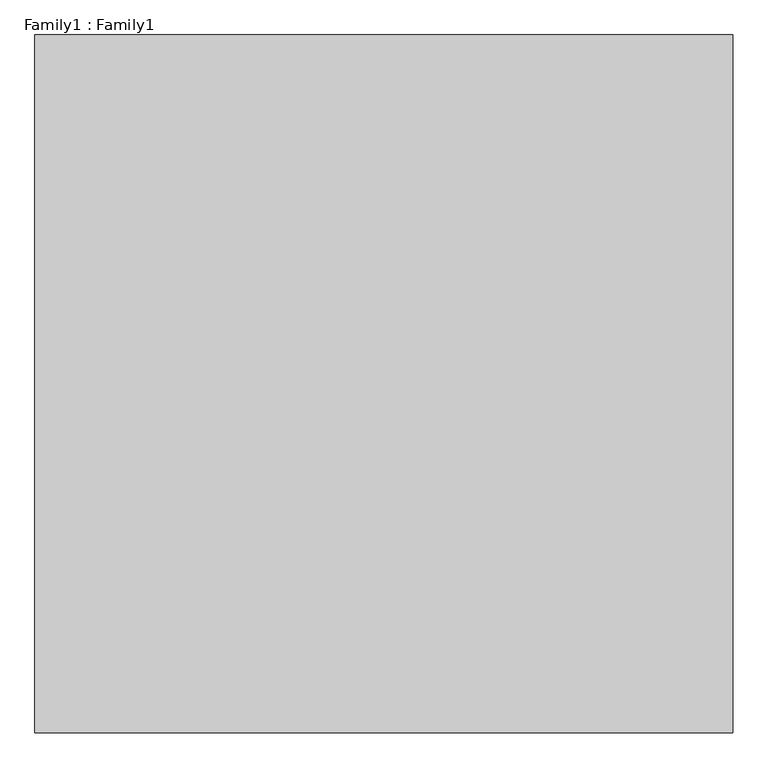
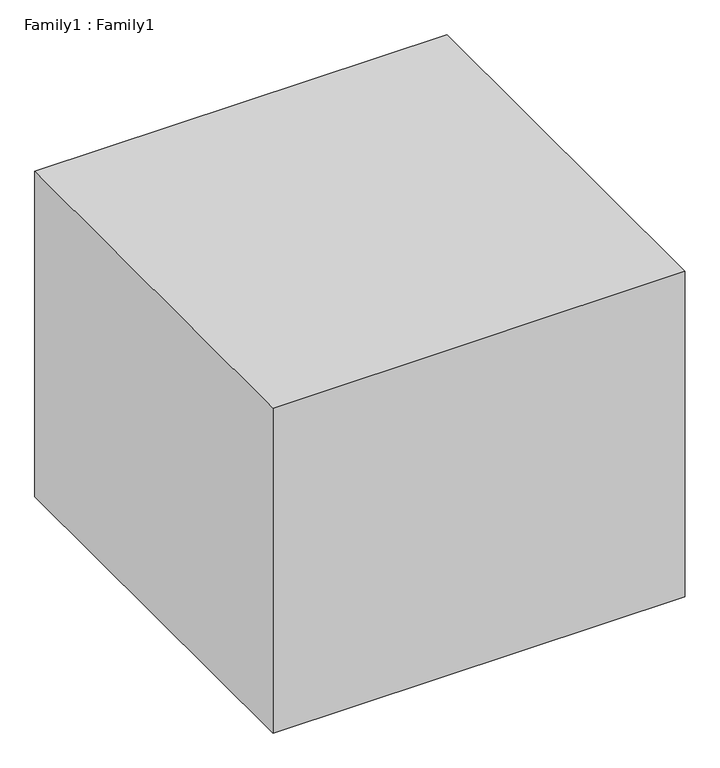
"""IFC4 building model written with IfcOpenShell, lengths in millimetres: proxy geometry, Family1 : Family1."""

from ifc_helpers import new_model, si_unit, origin, origin_with_axes, place, context, project, spatial, polyline, outline, extrude, source, transform, mapped, element, save


def family1_family1_3ff121e7(model_context):
    return source(origin(), model_context, "Body", "SweptSolid", [
        extrude(outline(polyline([(1500.0, 1500.0), (1500.0, -1500.0), (-1500.0, -1500.0), (-1500.0, 1500.0), (1500.0, 1500.0)])), origin_with_axes(), (0.0, 0.0, 1.0), 2500.0),
    ])


if __name__ == "__main__":
    model = new_model("IFC4")
    model_context = context("Model", 3, world=origin())
    ifc_project = project(units=[si_unit("LENGTHUNIT", "METRE", prefix="MILLI")], contexts=[model_context])
    site = spatial("IfcSite", under=ifc_project)
    building = spatial("IfcBuilding", under=site)
    placement = place(None, origin())
    family1_family1_shape = family1_family1_3ff121e7(model_context)
    element("IfcBuildingElementProxy", 1, Name="Family1 : Family1", ObjectType="Family1 : Family1", at=placement, inside=building, context=model_context, shape_type="MappedRepresentation", body=[
        mapped(family1_family1_shape, transform((0.0, 0.0, 0.0), x_axis=(1.0, 0.0, 0.0), y_axis=(0.0, 1.0, 0.0), z_axis=(0.0, 0.0, 1.0))),
    ])
    save(model, "model.ifc")
